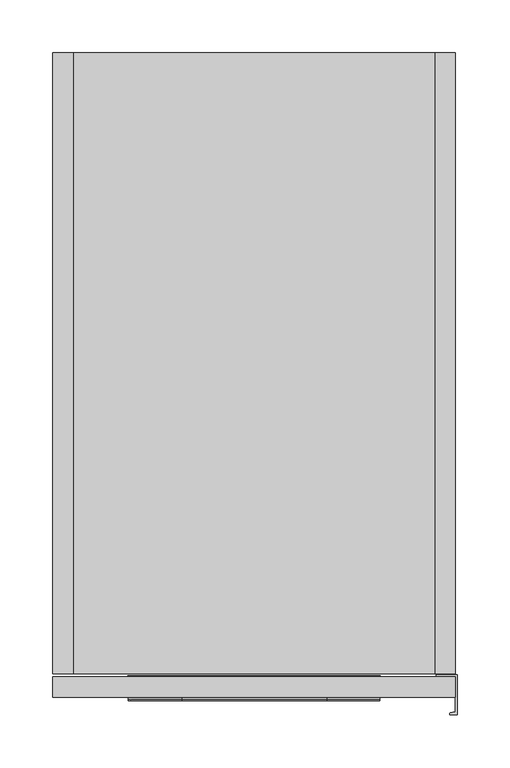
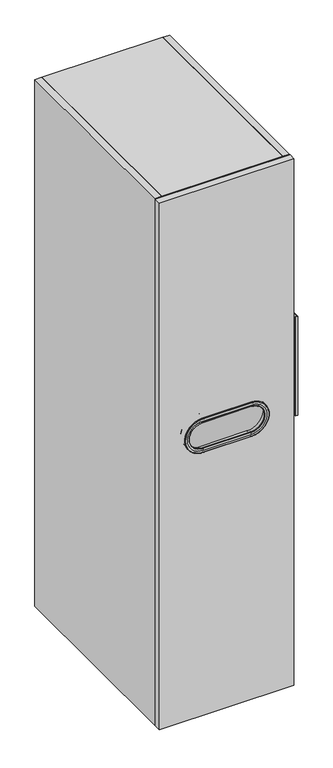
"""IFC4 building model written with IfcOpenShell, lengths in millimetres: furniture geometry."""

from ifc_helpers import new_model, si_unit, point, frame, frame_2d, origin, place, context, project, spatial, polyline, circle_curve, ellipse_curve, trimmed, segment, composite_curve, outline, extrude, source, transform, mapped, element, save
from ifc_brep_helpers import plane_surface, cylinder_surface, revolved_surface, advanced_brep


def furniture_07260c3b(model_context):
    return source(origin(), model_context, "Body", "SolidModel", [
        extrude(outline(composite_curve([segment(polyline([(382.4988631, -588.4595617), (382.4988631, -626.4595617), (376.4988631, -626.4595617)]), True, "CONTINUOUS"), segment(trimmed(circle_curve(frame_2d((376.4988631, -625.4595617)), 1.0), [point((376.4988631, -626.4595617))], [point((376.240044, -624.4936358))], False, "CARTESIAN"), True, "CONTINUOUS"), segment(polyline([(376.240044, -624.4936358), (380.9988631, -623.2185141), (380.9988631, -590.55), (362.9988631, -590.55), (362.9988631, -588.4595617), (382.4988631, -588.4595617)]), True, "CONTINUOUS")], self_intersect=False)), frame((0.0, 0.0, 918.7942121), z_axis=(0.0, 0.0, 1.0), x_axis=(1.0, 0.0, 0.0)), (0.0, 0.0, 1.0), 296.0116),
        extrude(outline(polyline([(19.304, 0.0), (19.304, -587.375), (0.0, -587.375), (0.0, 0.0), (19.304, 0.0)])), frame((0.0, 0.0, 101.6), z_axis=(0.0, 0.0, 1.0), x_axis=(1.0, 0.0, 0.0)), (0.0, 0.0, 1.0), 1574.8),
        extrude(outline(composite_curve([segment(polyline([(-587.375, 1676.4), (0.0, 1676.4), (0.0, 1593.342), (-9.5152958, 1593.342)]), True, "CONTINUOUS"), segment(trimmed(circle_curve(frame_2d((-9.5152958, 1590.1572958)), 3.1847042), [point((-9.5152958, 1593.342))], [point((-12.7, 1590.1572958))], True, "CARTESIAN"), True, "CONTINUOUS"), segment(polyline([(-12.7, 1590.1572958), (-12.7, 1488.567)]), True, "CONTINUOUS"), segment(trimmed(circle_curve(frame_2d((-9.525, 1488.567)), 3.175), [point((-12.7, 1488.567))], [point((-9.525, 1485.392))], True, "CARTESIAN"), True, "CONTINUOUS"), segment(polyline([(-9.525, 1485.392), (0.0, 1485.392), (0.0, 725.424), (-9.525, 725.424)]), True, "CONTINUOUS"), segment(trimmed(circle_curve(frame_2d((-9.525, 722.249)), 3.175), [point((-9.525, 725.424))], [point((-12.7, 722.249))], True, "CARTESIAN"), True, "CONTINUOUS"), segment(polyline([(-12.7, 722.249), (-12.7, 620.649)]), True, "CONTINUOUS"), segment(trimmed(circle_curve(frame_2d((-9.525, 620.649)), 3.175), [point((-12.7, 620.649))], [point((-9.525, 617.474))], True, "CARTESIAN"), True, "CONTINUOUS"), segment(polyline([(-9.525, 617.474), (0.0, 617.474), (0.0, 101.6), (-587.375, 101.6), (-587.375, 1676.4)]), True, "CONTINUOUS")], self_intersect=False)), frame((361.696, 0.0, 0.0), z_axis=(1.0, 0.0, 0.0), x_axis=(0.0, 1.0, 0.0)), (0.0, 0.0, 1.0), 19.304),
        extrude(outline(polyline([(361.696, -12.7), (361.696, -32.004), (19.304, -32.004), (19.304, -12.7), (361.696, -12.7)])), frame((0.0, 0.0, 101.6), z_axis=(0.0, 0.0, 1.0), x_axis=(1.0, 0.0, 0.0)), (0.0, 0.0, 1.0), 1555.496),
        extrude(outline(polyline([(361.696, -587.375), (19.304, -587.375), (19.304, -32.004), (361.696, -32.004), (361.696, -587.375)])), frame((0.0, 0.0, 101.6), z_axis=(0.0, 0.0, 1.0), x_axis=(1.0, 0.0, 0.0)), (0.0, 0.0, 1.0), 19.304),
        extrude(outline(polyline([(361.696, -587.375), (19.304, -587.375), (19.304, 0.0), (361.696, 0.0), (361.696, -587.375)])), frame((0.0, 0.0, 1657.096), z_axis=(0.0, 0.0, 1.0), x_axis=(1.0, 0.0, 0.0)), (0.0, 0.0, 1.0), 19.304),
        advanced_brep(
        [(121.92, -610.8578403, 978.688296), (121.92, -610.8578403, 902.283304), (121.92, -609.854, 902.3359131), (121.92, -609.854, 978.6356869), (121.92, -611.5287336, 979.100625), (121.92, -611.5287336, 901.870975), (121.92, -612.8512, 984.062024), (121.92, -612.8512, 896.909576), (121.92, -612.2580346, 991.1771461), (121.92, -612.2580346, 889.7944539), (121.92, -612.8512, 890.4086946), (121.92, -612.8512, 990.5629054), (121.92, -590.1701669, 991.9484715), (121.92, -590.1701669, 889.0231285), (121.92, -589.534, 991.3341322), (121.92, -589.534, 889.6374678), (121.92, -609.854, 988.6188), (121.92, -609.854, 892.3528), (121.92, -589.534, 892.3528), (121.92, -589.534, 988.6188), (259.08, -609.854, 978.6356869), (259.08, -610.8578403, 978.688296), (259.08, -611.5287336, 979.100625), (259.08, -612.8512, 984.062024), (259.08, -612.8512, 990.5629054), (259.08, -612.2580346, 991.1771461), (259.08, -590.1701669, 991.9484715), (259.08, -589.534, 991.3341322), (259.08, -589.534, 988.6188), (259.08, -609.854, 988.6188), (259.08, -610.8578403, 902.283304), (259.08, -609.854, 902.3359131), (259.08, -611.5287336, 901.870975), (259.08, -612.8512, 896.909576), (259.08, -612.2580346, 889.7944539), (259.08, -612.8512, 890.4086946), (259.08, -590.1701669, 889.0231285), (259.08, -589.534, 889.6374678), (259.08, -609.854, 892.3528), (259.08, -589.534, 892.3528)],
        [
            (0, 1, circle_curve(frame((121.92, -610.8578403, 940.4858), z_axis=(0.0, -1.0, 0.0), x_axis=(0.0, 0.0, -1.0)), 38.202496)),
            (1, 2),
            (2, 3, circle_curve(frame((121.92, -609.854, 940.4858), z_axis=(0.0, 1.0, 0.0), x_axis=(0.0, 0.0, -1.0)), 38.1498869)),
            (3, 0),
            (4, 5, circle_curve(frame((121.92, -611.5287336, 940.4858), z_axis=(0.0, -1.0, 0.0), x_axis=(0.0, 0.0, -1.0)), 38.614825)),
            (5, 1, circle_curve(frame((121.92, -610.8147579, 901.4612416), z_axis=(-1.0, 0.0, 0.0), x_axis=(0.0, -1.0, 0.0)), 0.8231906)),
            (0, 4, circle_curve(frame((121.92, -610.8147579, 979.5103584), z_axis=(-1.0, 0.0, 0.0), x_axis=(0.0, -1.0, 0.0)), 0.8231906)),
            (6, 7, circle_curve(frame((121.92, -612.8512, 940.4858), z_axis=(0.0, -1.0, 0.0), x_axis=(0.0, 0.0, -1.0)), 43.576224)),
            (7, 5, circle_curve(frame((121.92, -602.883311, 896.909576), z_axis=(-1.0, 0.0, 0.0), x_axis=(0.0, -1.0, 0.0)), 9.967889)),
            (4, 6, circle_curve(frame((121.92, -602.883311, 984.062024), z_axis=(-1.0, 0.0, 0.0), x_axis=(0.0, -1.0, 0.0)), 9.967889)),
            (8, 9, circle_curve(frame((121.92, -612.2580346, 940.4858), z_axis=(0.0, -1.0, 0.0), x_axis=(0.0, 0.0, -1.0)), 50.6913461)),
            (9, 10, circle_curve(frame((121.92, -612.2365849, 890.4086946), z_axis=(-1.0, 0.0, 0.0), x_axis=(0.0, -1.0, 0.0)), 0.6146151)),
            (10, 11, circle_curve(frame((121.92, -612.8512, 940.4858), z_axis=(0.0, 1.0, 0.0), x_axis=(0.0, 0.0, -1.0)), 50.0771054)),
            (11, 8, circle_curve(frame((121.92, -612.2365849, 990.5629054), z_axis=(-1.0, 0.0, 0.0), x_axis=(0.0, -1.0, 0.0)), 0.6146151)),
            (12, 13, circle_curve(frame((121.92, -590.1701669, 940.4858), z_axis=(0.0, -1.0, 0.0), x_axis=(0.0, 0.0, -1.0)), 51.4626715)),
            (13, 9),
            (8, 12),
            (14, 15, circle_curve(frame((121.92, -589.534, 940.4858), z_axis=(0.0, -1.0, 0.0), x_axis=(0.0, 0.0, -1.0)), 50.8483322)),
            (15, 13, circle_curve(frame((121.92, -590.1487137, 889.6374678), z_axis=(-1.0, 0.0, 0.0), x_axis=(0.0, -1.0, 0.0)), 0.6147137)),
            (12, 14, circle_curve(frame((121.92, -590.1487137, 991.3341322), z_axis=(-1.0, 0.0, 0.0), x_axis=(0.0, -1.0, 0.0)), 0.6147137)),
            (16, 17, circle_curve(frame((121.92, -609.854, 940.4858), z_axis=(0.0, -1.0, 0.0), x_axis=(0.0, 0.0, -1.0)), 48.133)),
            (17, 18),
            (18, 19, circle_curve(frame((121.92, -589.534, 940.4858), z_axis=(0.0, 1.0, 0.0), x_axis=(0.0, 0.0, -1.0)), 48.133)),
            (19, 16),
            (3, 20),
            (20, 21),
            (21, 0),
            (21, 22, circle_curve(frame((259.08, -610.8147579, 979.5103584), z_axis=(-1.0, 0.0, 0.0), x_axis=(0.0, -1.0, 0.0)), 0.8231906)),
            (22, 4),
            (22, 23, circle_curve(frame((259.08, -602.883311, 984.062024), z_axis=(-1.0, 0.0, 0.0), x_axis=(0.0, -1.0, 0.0)), 9.967889)),
            (23, 6),
            (11, 24),
            (24, 25, circle_curve(frame((259.08, -612.2365849, 990.5629054), z_axis=(-1.0, 0.0, 0.0), x_axis=(0.0, -1.0, 0.0)), 0.6146151)),
            (25, 8),
            (25, 26),
            (26, 12),
            (26, 27, circle_curve(frame((259.08, -590.1487137, 991.3341322), z_axis=(-1.0, 0.0, 0.0), x_axis=(0.0, -1.0, 0.0)), 0.6147137)),
            (27, 14),
            (19, 28),
            (28, 29),
            (29, 16),
            (30, 21, circle_curve(frame((259.08, -610.8578403, 940.4858), z_axis=(0.0, -1.0, 0.0), x_axis=(0.0, 0.0, 1.0)), 38.202496)),
            (20, 31, circle_curve(frame((259.08, -609.854, 940.4858), z_axis=(0.0, 1.0, 0.0), x_axis=(0.0, 0.0, 1.0)), 38.1498869)),
            (31, 30),
            (32, 22, circle_curve(frame((259.08, -611.5287336, 940.4858), z_axis=(0.0, -1.0, 0.0), x_axis=(0.0, 0.0, 1.0)), 38.614825)),
            (30, 32, circle_curve(frame((259.08, -610.8147579, 901.4612416), z_axis=(1.0, 0.0, 0.0), x_axis=(0.0, -1.0, 0.0)), 0.8231906)),
            (33, 23, circle_curve(frame((259.08, -612.8512, 940.4858), z_axis=(0.0, -1.0, 0.0), x_axis=(0.0, 0.0, 1.0)), 43.576224)),
            (32, 33, circle_curve(frame((259.08, -602.883311, 896.909576), z_axis=(1.0, 0.0, 0.0), x_axis=(0.0, -1.0, 0.0)), 9.967889)),
            (34, 25, circle_curve(frame((259.08, -612.2580346, 940.4858), z_axis=(0.0, -1.0, 0.0), x_axis=(0.0, 0.0, 1.0)), 50.6913461)),
            (24, 35, circle_curve(frame((259.08, -612.8512, 940.4858), z_axis=(0.0, 1.0, 0.0), x_axis=(0.0, 0.0, 1.0)), 50.0771054)),
            (35, 34, circle_curve(frame((259.08, -612.2365849, 890.4086946), z_axis=(1.0, 0.0, 0.0), x_axis=(0.0, -1.0, 0.0)), 0.6146151)),
            (36, 26, circle_curve(frame((259.08, -590.1701669, 940.4858), z_axis=(0.0, -1.0, 0.0), x_axis=(0.0, 0.0, 1.0)), 51.4626715)),
            (34, 36),
            (37, 27, circle_curve(frame((259.08, -589.534, 940.4858), z_axis=(0.0, -1.0, 0.0), x_axis=(0.0, 0.0, 1.0)), 50.8483322)),
            (36, 37, circle_curve(frame((259.08, -590.1487137, 889.6374678), z_axis=(1.0, 0.0, 0.0), x_axis=(0.0, -1.0, 0.0)), 0.6147137)),
            (38, 29, circle_curve(frame((259.08, -609.854, 940.4858), z_axis=(0.0, -1.0, 0.0), x_axis=(0.0, 0.0, 1.0)), 48.133)),
            (28, 39, circle_curve(frame((259.08, -589.534, 940.4858), z_axis=(0.0, 1.0, 0.0), x_axis=(0.0, 0.0, 1.0)), 48.133)),
            (39, 38),
            (38, 17),
            (2, 31),
            (1, 30),
            (5, 32),
            (7, 33),
            (10, 35),
            (9, 34),
            (13, 36),
            (15, 37),
            (18, 39),
        ],
        [
            revolved_surface(polyline([(121.92, -609.854, 902.3359131), (121.92, -610.8578403, 902.283304)]), (121.92, -609.854, 940.4858), (0.0, 1.0, 0.0)),
            revolved_surface(trimmed(ellipse_curve(frame((121.92, -610.8147579, 901.4612416), z_axis=(1.0, 0.0, 0.0), x_axis=(0.0, -1.0, 0.0)), 0.8231906, 0.8231906), [point((121.92, -610.8578403, 902.283304))], [point((121.92, -611.5287336, 901.870975))], True, "CARTESIAN"), (121.92, -609.854, 940.4858), (0.0, 1.0, 0.0)),
            revolved_surface(trimmed(ellipse_curve(frame((121.92, -602.883311, 896.909576), z_axis=(1.0, 0.0, 0.0), x_axis=(0.0, -1.0, 0.0)), 9.967889, 9.967889), [point((121.92, -611.5287336, 901.870975))], [point((121.92, -612.8512, 896.909576))], True, "CARTESIAN"), (121.92, -609.854, 940.4858), (0.0, 1.0, 0.0)),
            revolved_surface(trimmed(ellipse_curve(frame((121.92, -612.2365849, 890.4086946), z_axis=(1.0, 0.0, 0.0), x_axis=(0.0, -1.0, 0.0)), 0.6146151, 0.6146151), [point((121.92, -612.8512, 890.4086946))], [point((121.92, -612.2580346, 889.7944539))], True, "CARTESIAN"), (121.92, -609.854, 940.4858), (0.0, 1.0, 0.0)),
            revolved_surface(polyline([(121.92, -612.2580346, 889.7944539), (121.92, -590.1701669, 889.0231285)]), (121.92, -609.854, 940.4858), (0.0, 1.0, 0.0)),
            revolved_surface(trimmed(ellipse_curve(frame((121.92, -590.1487137, 889.6374678), z_axis=(1.0, 0.0, 0.0), x_axis=(0.0, -1.0, 0.0)), 0.6147137, 0.6147137), [point((121.92, -590.1701669, 889.0231285))], [point((121.92, -589.534, 889.6374678))], True, "CARTESIAN"), (121.92, -609.854, 940.4858), (0.0, 1.0, 0.0)),
            revolved_surface(polyline([(121.92, -589.534, 892.3528), (121.92, -609.854, 892.3528)]), (121.92, -609.854, 940.4858), (0.0, 1.0, 0.0)),
            plane_surface(frame((121.92, -609.854, 978.6356869), z_axis=(0.0, -0.05233595624287116, -0.9986295347545777), x_axis=(1.0, 0.0, 0.0))),
            cylinder_surface(frame((121.92, -610.8147579, 979.5103584), z_axis=(-1.0, 0.0, 0.0), x_axis=(0.0, -1.0, 0.0)), 0.8231906),
            cylinder_surface(frame((121.92, -602.883311, 984.062024), z_axis=(-1.0, 0.0, 0.0), x_axis=(0.0, -1.0, 0.0)), 9.967889),
            cylinder_surface(frame((121.92, -612.2365849, 990.5629054), z_axis=(-1.0, 0.0, 0.0), x_axis=(0.0, -1.0, 0.0)), 0.6146151),
            plane_surface(frame((121.92, -612.2580346, 991.1771461), z_axis=(0.0, -0.03489949670249897, 0.9993908270190958), x_axis=(1.0, 0.0, 0.0))),
            cylinder_surface(frame((121.92, -590.1487137, 991.3341322), z_axis=(-1.0, 0.0, 0.0), x_axis=(0.0, -1.0, 0.0)), 0.6147137),
            plane_surface(frame((121.92, -589.534, 988.6188), z_axis=(0.0, 0.0, -1.0), x_axis=(1.0, 0.0, 0.0))),
            revolved_surface(polyline([(259.08, -609.854, 978.6356869), (259.08, -610.8578403, 978.688296)]), (259.08, -609.854, 940.4858), (0.0, 1.0, 0.0)),
            revolved_surface(trimmed(ellipse_curve(frame((259.08, -610.8147579, 979.5103584), z_axis=(-1.0, 0.0, 0.0), x_axis=(0.0, -1.0, 0.0)), 0.8231906, 0.8231906), [point((259.08, -610.8578403, 978.688296))], [point((259.08, -611.5287336, 979.100625))], True, "CARTESIAN"), (259.08, -609.854, 940.4858), (0.0, 1.0, 0.0)),
            revolved_surface(trimmed(ellipse_curve(frame((259.08, -602.883311, 984.062024), z_axis=(-1.0, 0.0, 0.0), x_axis=(0.0, -1.0, 0.0)), 9.967889, 9.967889), [point((259.08, -611.5287336, 979.100625))], [point((259.08, -612.8512, 984.062024))], True, "CARTESIAN"), (259.08, -609.854, 940.4858), (0.0, 1.0, 0.0)),
            revolved_surface(trimmed(ellipse_curve(frame((259.08, -612.2365849, 990.5629054), z_axis=(-1.0, 0.0, 0.0), x_axis=(0.0, -1.0, 0.0)), 0.6146151, 0.6146151), [point((259.08, -612.8512, 990.5629054))], [point((259.08, -612.2580346, 991.1771461))], True, "CARTESIAN"), (259.08, -609.854, 940.4858), (0.0, 1.0, 0.0)),
            revolved_surface(polyline([(259.08, -612.2580346, 991.1771461), (259.08, -590.1701669, 991.9484715)]), (259.08, -609.854, 940.4858), (0.0, 1.0, 0.0)),
            revolved_surface(trimmed(ellipse_curve(frame((259.08, -590.1487137, 991.3341322), z_axis=(-1.0, 0.0, 0.0), x_axis=(0.0, -1.0, 0.0)), 0.6147137, 0.6147137), [point((259.08, -590.1701669, 991.9484715))], [point((259.08, -589.534, 991.3341322))], True, "CARTESIAN"), (259.08, -609.854, 940.4858), (0.0, 1.0, 0.0)),
            revolved_surface(polyline([(259.08, -589.534, 988.6188000000001), (259.08, -609.854, 988.6188000000001)]), (259.08, -609.854, 940.4858), (0.0, 1.0, 0.0)),
            plane_surface(frame((259.08, -609.854, 892.3528), z_axis=(0.0, 1.0, 0.0), x_axis=(-1.0, 0.0, 0.0))),
            plane_surface(frame((259.08, -609.854, 902.3359131), z_axis=(0.0, -0.05233595624287116, 0.9986295347545777), x_axis=(-1.0, 0.0, 0.0))),
            cylinder_surface(frame((259.08, -610.8147579, 901.4612416), z_axis=(1.0, 0.0, 0.0), x_axis=(0.0, -1.0, 0.0)), 0.8231906),
            cylinder_surface(frame((259.08, -602.883311, 896.909576), z_axis=(1.0, 0.0, 0.0), x_axis=(0.0, -1.0, 0.0)), 9.967889),
            plane_surface(frame((259.08, -612.8512, 896.909576), z_axis=(0.0, -1.0, 0.0), x_axis=(-1.0, 0.0, 0.0))),
            cylinder_surface(frame((259.08, -612.2365849, 890.4086946), z_axis=(1.0, 0.0, 0.0), x_axis=(0.0, -1.0, 0.0)), 0.6146151),
            plane_surface(frame((259.08, -612.2580346, 889.7944539), z_axis=(0.0, -0.03489949670249897, -0.9993908270190958), x_axis=(-1.0, 0.0, 0.0))),
            cylinder_surface(frame((259.08, -590.1487137, 889.6374678), z_axis=(1.0, 0.0, 0.0), x_axis=(0.0, -1.0, 0.0)), 0.6147137),
            plane_surface(frame((259.08, -589.534, 889.6374678), z_axis=(0.0, 1.0, 0.0), x_axis=(-1.0, 0.0, 0.0))),
            plane_surface(frame((259.08, -589.534, 892.3528), z_axis=(0.0, 0.0, 1.0), x_axis=(-1.0, 0.0, 0.0))),
        ],
        [
            (0, [[1, 2, 3, 4]]),
            (1, [[5, 6, -1, 7]]),
            (2, [[8, 9, -5, 10]]),
            (3, [[11, 12, 13, 14]]),
            (4, [[15, 16, -11, 17]]),
            (5, [[18, 19, -15, 20]]),
            (6, [[21, 22, 23, 24]]),
            (7, [[-4, 25, 26, 27]]),
            (8, [[-7, -27, 28, 29]]),
            (9, [[-10, -29, 30, 31]]),
            (10, [[-14, 32, 33, 34]]),
            (11, [[-17, -34, 35, 36]]),
            (12, [[-20, -36, 37, 38]]),
            (13, [[-24, 39, 40, 41]]),
            (14, [[42, -26, 43, 44]]),
            (15, [[45, -28, -42, 46]]),
            (16, [[47, -30, -45, 48]]),
            (17, [[49, -33, 50, 51]]),
            (18, [[52, -35, -49, 53]]),
            (19, [[54, -37, -52, 55]]),
            (20, [[56, -40, 57, 58]]),
            (21, [[-41, -56, 59, -21], [60, -43, -25, -3]]),
            (22, [[-44, -60, -2, 61]]),
            (23, [[-46, -61, -6, 62]]),
            (24, [[-48, -62, -9, 63]]),
            (25, [[64, -50, -32, -13], [-31, -47, -63, -8]]),
            (26, [[-51, -64, -12, 65]]),
            (27, [[-53, -65, -16, 66]]),
            (28, [[-55, -66, -19, 67]]),
            (29, [[-38, -54, -67, -18], [68, -57, -39, -23]]),
            (30, [[-58, -68, -22, -59]]),
        ],
    ),
        extrude(outline(polyline([(1676.4, 381.0), (1676.4, 0.0), (101.6, 0.0), (101.6, 381.0), (1676.4, 381.0)]), holes=[composite_curve([segment(trimmed(circle_curve(frame_2d((940.4858, 259.08)), 48.133), [point((988.6188, 259.08))], [point((892.3528, 259.08))], True, "CARTESIAN"), True, "CONTINUOUS"), segment(polyline([(892.3528, 259.08), (892.3528, 121.92)]), True, "CONTINUOUS"), segment(trimmed(circle_curve(frame_2d((940.4858, 121.92)), 48.133), [point((892.3528, 121.92))], [point((988.6188, 121.92))], True, "CARTESIAN"), True, "CONTINUOUS"), segment(polyline([(988.6188, 121.92), (988.6188, 259.08)]), True, "CONTINUOUS")], self_intersect=False)]), frame((0.0, -609.854, 0.0), z_axis=(0.0, 1.0, 0.0), x_axis=(0.0, 0.0, 1.0)), (0.0, 0.0, 1.0), 19.304),
    ])


if __name__ == "__main__":
    model = new_model("IFC4")
    model_context = context("Model", 3, world=origin())
    ifc_project = project(units=[si_unit("LENGTHUNIT", "METRE", prefix="MILLI")], contexts=[model_context])
    site = spatial("IfcSite", under=ifc_project)
    building = spatial("IfcBuilding", under=site)
    placement = place(None, origin())
    furniture_shape = furniture_07260c3b(model_context)
    element("IfcFurniture", 1, at=placement, inside=building, context=model_context, shape_type="MappedRepresentation", body=[
        mapped(furniture_shape, transform((0.0, 0.0, 0.0), x_axis=(1.0, 0.0, 0.0), y_axis=(0.0, 1.0, 0.0), z_axis=(0.0, 0.0, 1.0))),
    ])
    save(model, "model.ifc")
